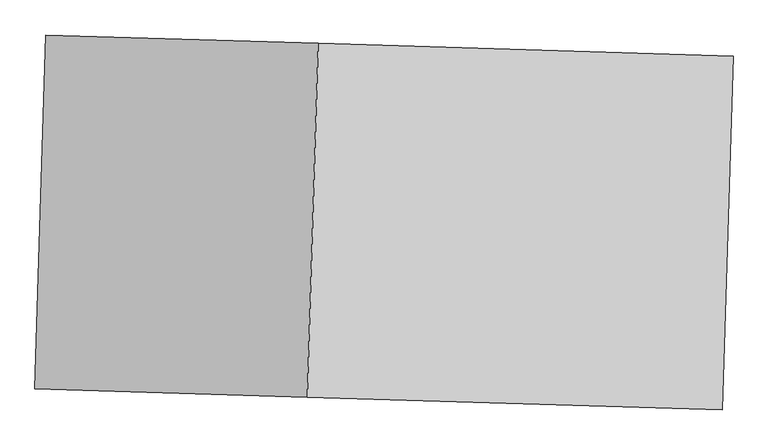
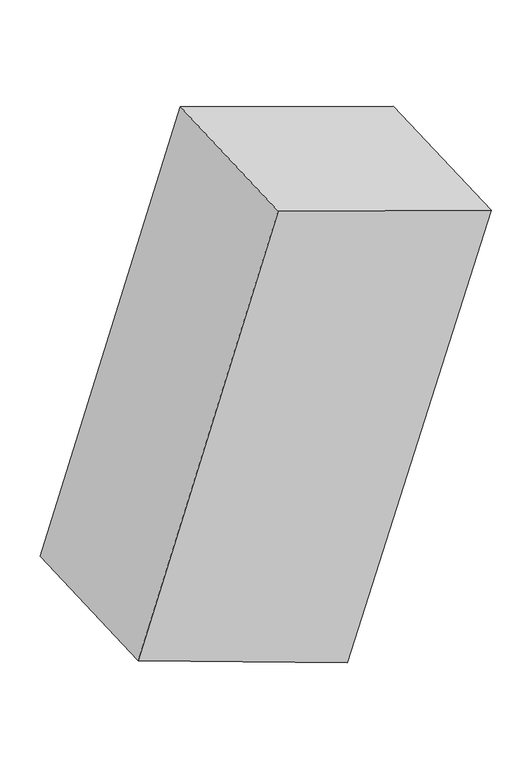
"""IFC4 building model written with IfcOpenShell, lengths in millimetres: proxy geometry."""

import ifcopenshell
import ifcopenshell.guid

model = None  # the IFC model being written
_history = None  # IfcOwnerHistory: only IFC2X3 demands one
_inside = {}  # id of a spatial element -> (the spatial element, [elements in it])
_under = {}  # id of a project, library or spatial element -> (it, [spatial elements below it])
_declared = {}  # id of a project -> (the project, [libraries it declares])
_typed = {}  # id of a type object -> (the type object, [elements of that type])
_made_of = {}  # id of a material, layer set ... -> (it, [elements and type objects made of it])


def new_model(schema):
    """Start an empty IFC model of exactly this schema.

    Asked for "IFC4X3", IfcOpenShell would pick the latest addendum, in which some entities
    have other attributes; the version numbers below select the first issue.
    IFC2X3 requires an IfcOwnerHistory on every rooted entity: one is made here for all.
    """
    global model, _history
    if schema == "IFC4X3":
        model = ifcopenshell.file(schema_version=(4, 3, 0, 0))
    else:
        model = ifcopenshell.file(schema=schema)
    _inside.clear()
    _under.clear()
    _declared.clear()
    _typed.clear()
    _made_of.clear()
    _history = None
    if model.schema == "IFC2X3":
        org = make("IfcOrganization", Name="unknown")
        user = make(
            "IfcPersonAndOrganization",
            ThePerson=make("IfcPerson", FamilyName="unknown"),
            TheOrganization=org,
        )
        app = make(
            "IfcApplication",
            ApplicationDeveloper=org,
            Version="unknown",
            ApplicationFullName="unknown",
            ApplicationIdentifier="unknown",
        )
        _history = make(
            "IfcOwnerHistory",
            OwningUser=user,
            OwningApplication=app,
            ChangeAction="ADDED",
            CreationDate=0,
        )
    return model


def make(cls, **values):
    """One entity of the class cls with the attributes given. An attribute that is None is left unset."""
    return model.create_entity(
        cls, **{name: value for name, value in values.items() if value is not None}
    )


def rooted(cls, **values):
    """An entity with a GlobalId (a new one), such as an element, a storey or a relation."""
    return make(cls, GlobalId=ifcopenshell.guid.new(), OwnerHistory=_history, **values)


def si_unit(unit_type, name, prefix=None):
    """IfcSIUnit, for example si_unit("LENGTHUNIT", "METRE", prefix="MILLI")."""
    return make("IfcSIUnit", UnitType=unit_type, Prefix=prefix, Name=name)


def assignment(units):
    """IfcUnitAssignment: the units of a project."""
    return None if units is None else make("IfcUnitAssignment", Units=units)


def point(xyz):
    """IfcCartesianPoint."""
    return None if xyz is None else make("IfcCartesianPoint", Coordinates=xyz)


def direction(xyz):
    """IfcDirection."""
    return None if xyz is None else make("IfcDirection", DirectionRatios=xyz)


def frame(location, z_axis=None, x_axis=None):
    """IfcAxis2Placement3D, a coordinate frame: its origin and axes. An axis left out is left unset."""
    return make(
        "IfcAxis2Placement3D",
        Location=point(location),
        Axis=direction(z_axis),
        RefDirection=direction(x_axis),
    )


def origin():
    """The frame at (0, 0, 0) with its axes left unset."""
    return frame((0.0, 0.0, 0.0))


def place(relative_to, where):
    """IfcLocalPlacement: puts the frame where relative to a parent placement (None: the world)."""
    return make(
        "IfcLocalPlacement", PlacementRelTo=relative_to, RelativePlacement=where
    )


def context(
    kind, dimensions, precision=None, world=None, true_north=None, identifier=None
):
    """IfcGeometricRepresentationContext, for example the 3D "Model" context."""
    return make(
        "IfcGeometricRepresentationContext",
        ContextIdentifier=identifier,
        ContextType=kind,
        CoordinateSpaceDimension=dimensions,
        Precision=precision,
        WorldCoordinateSystem=world,
        TrueNorth=true_north,
    )


def project(units=None, contexts=None):
    """IfcProject with its units and contexts."""
    return rooted(
        "IfcProject",
        Name="project",
        RepresentationContexts=contexts,
        UnitsInContext=assignment(units),
    )


def spatial(cls, under=None, at=None, **own):
    """A site, building, storey or space (cls), placed at a placement, below another one or the project."""
    s = rooted(cls, ObjectPlacement=at, **own)
    if under is not None:
        _under.setdefault(under.id(), (under, []))[1].append(s)
    return s


def polyline(points):
    """IfcPolyline through the points."""
    return make("IfcPolyline", Points=[point(p) for p in points])


def outline(outer, holes=None, kind="AREA"):
    """IfcArbitraryClosedProfileDef: a profile drawn as a closed curve; with holes, ...WithVoids."""
    if holes is None:
        return make("IfcArbitraryClosedProfileDef", ProfileType=kind, OuterCurve=outer)
    return make(
        "IfcArbitraryProfileDefWithVoids",
        ProfileType=kind,
        OuterCurve=outer,
        InnerCurves=holes,
    )


def extrude(swept, where, along, depth):
    """IfcExtrudedAreaSolid: the profile swept, set in the frame where, extruded along a direction by depth."""
    return make(
        "IfcExtrudedAreaSolid",
        SweptArea=swept,
        Position=where,
        ExtrudedDirection=direction(along),
        Depth=depth,
    )


def shape(context_of_items, identifier, shape_type, items):
    """IfcShapeRepresentation: the items that make up one representation, for example the "Body"."""
    return make(
        "IfcShapeRepresentation",
        ContextOfItems=context_of_items,
        RepresentationIdentifier=identifier,
        RepresentationType=shape_type,
        Items=items,
    )


def source(mapping_origin, context_of_items, identifier, shape_type, items):
    """IfcRepresentationMap: a shape defined once, which mapped items show again and again."""
    return make(
        "IfcRepresentationMap",
        MappingOrigin=mapping_origin,
        MappedRepresentation=shape(context_of_items, identifier, shape_type, items),
    )


def transform(
    local_origin,
    x_axis=None,
    y_axis=None,
    z_axis=None,
    scale=None,
    scale2=None,
    scale3=None,
    uniform=True,
):
    """IfcCartesianTransformationOperator3D, or its non-uniform kind. x_axis, y_axis, z_axis: its Axis1, 2, 3."""
    if uniform:
        return make(
            "IfcCartesianTransformationOperator3D",
            Axis1=direction(x_axis),
            Axis2=direction(y_axis),
            LocalOrigin=point(local_origin),
            Scale=scale,
            Axis3=direction(z_axis),
        )
    return make(
        "IfcCartesianTransformationOperator3DnonUniform",
        Axis1=direction(x_axis),
        Axis2=direction(y_axis),
        LocalOrigin=point(local_origin),
        Scale=scale,
        Axis3=direction(z_axis),
        Scale2=scale2,
        Scale3=scale3,
    )


def mapped(mapping_source, mapping_target):
    """IfcMappedItem: shows the shape of a source again, moved by a transform."""
    return make(
        "IfcMappedItem", MappingSource=mapping_source, MappingTarget=mapping_target
    )


def made_of(thing, what):
    """Note that an element or type object is made of a material, layer set ...; save() writes the relation."""
    if what is not None:
        _made_of.setdefault(what.id(), (what, []))[1].append(thing)
    return thing


def element(
    cls,
    number,
    at=None,
    inside=None,
    cuts=None,
    type_object=None,
    material=None,
    context=None,
    identifier="Body",
    shape_type=None,
    held_by="IfcProductDefinitionShape",
    body=None,
    shapes=None,
    **own,
):
    """One element of the class cls, such as IfcWall. Its Tag is "e" and its number.

    at: its placement. inside: the storey or other place that contains it. cuts: it is an
    opening in that element (IfcRelVoidsElement). A single representation is given by context,
    identifier, shape_type and body (its items); several are given by shapes. held_by: the class
    of the entity that holds the representations. save() writes the other relations.
    """
    e = rooted(cls, Tag="e%d" % number, ObjectPlacement=at, **own)
    if body is not None:
        shapes = [shape(context, identifier, shape_type, body)]
    if shapes is not None:
        e.Representation = make(held_by, Representations=shapes)
    if inside is not None:
        _inside.setdefault(inside.id(), (inside, []))[1].append(e)
    if cuts is not None:
        rooted(
            "IfcRelVoidsElement", RelatingBuildingElement=cuts, RelatedOpeningElement=e
        )
    if type_object is not None:
        _typed.setdefault(type_object.id(), (type_object, []))[1].append(e)
    return made_of(e, material)


def aggregate(whole, parts):
    """IfcRelAggregates: a whole, such as a stair, and the parts it consists of."""
    return rooted("IfcRelAggregates", RelatingObject=whole, RelatedObjects=parts)


def save(model, path):
    """Write the relations noted so far, then the file.

    IfcRelAggregates (storeys below a building ...), IfcRelContainedInSpatialStructure (elements
    in a storey), IfcRelDefinesByType, IfcRelAssociatesMaterial and IfcRelDeclares: one each for
    every whole, place, type object, material and project.
    """
    for whole, parts in _under.values():
        aggregate(whole, parts)
    for where, things in _inside.values():
        rooted(
            "IfcRelContainedInSpatialStructure",
            RelatedElements=things,
            RelatingStructure=where,
        )
    for kind, things in _typed.values():
        rooted("IfcRelDefinesByType", RelatedObjects=things, RelatingType=kind)
    for what, things in _made_of.values():
        rooted("IfcRelAssociatesMaterial", RelatedObjects=things, RelatingMaterial=what)
    for by, libraries in _declared.values():
        rooted("IfcRelDeclares", RelatingContext=by, RelatedDefinitions=libraries)
    model.write(path)


def generic_models_a63b8053(model_context):
    return source(origin(), model_context, "Body", "SweptSolid", [
        extrude(outline(polyline([(-684.9793729, 1416.2548714), (695.0206271, 1416.2548714), (674.9381188, -1408.7646141), (-684.9793728, -1423.7451287), (-684.9793729, 1416.2548714)])), frame((-843.1391054, -346.658468, 5000.0), z_axis=(0.030748328229910964, 0.9995271583659274, 0.0), x_axis=(-0.9497649082119756, 0.029217498388634723, 0.3115974276482523)), (0.0, 0.0, 1.0), 1120.0),
    ])


if __name__ == "__main__":
    model = new_model("IFC4")
    model_context = context("Model", 3, world=origin())
    ifc_project = project(units=[si_unit("LENGTHUNIT", "METRE", prefix="MILLI")], contexts=[model_context])
    site = spatial("IfcSite", under=ifc_project)
    building = spatial("IfcBuilding", under=site)
    placement = place(None, origin())
    generic_models_shape = generic_models_a63b8053(model_context)
    element("IfcBuildingElementProxy", 1, Name="Generic Models", at=placement, inside=building, context=model_context, shape_type="MappedRepresentation", body=[
        mapped(generic_models_shape, transform((0.0, 0.0, 0.0), x_axis=(1.0, 0.0, 0.0), y_axis=(0.0, 1.0, 0.0), z_axis=(0.0, 0.0, 1.0))),
    ])
    save(model, "model.ifc")
